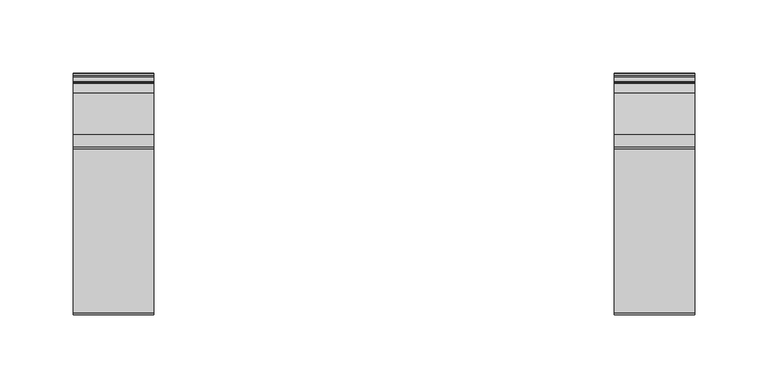
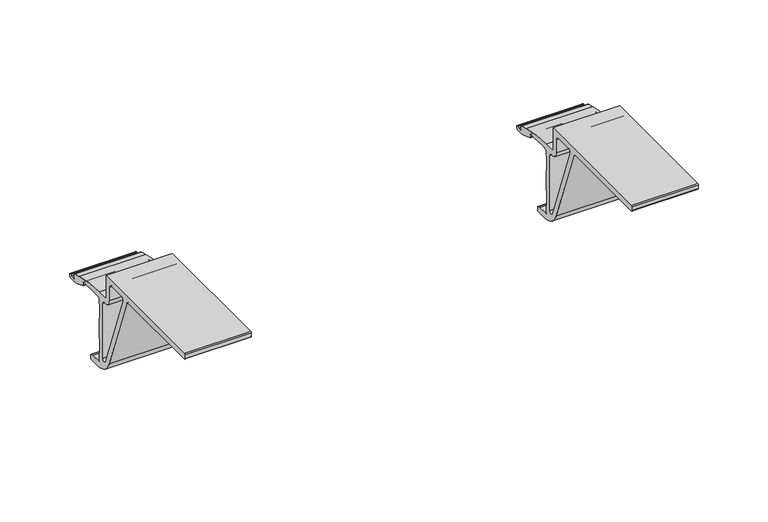
"""IFC4 building model written with IfcOpenShell, lengths in millimetres: furniture geometry."""

import ifcopenshell
import ifcopenshell.guid

model = None  # the IFC model being written
_history = None  # IfcOwnerHistory: only IFC2X3 demands one
_inside = {}  # id of a spatial element -> (the spatial element, [elements in it])
_under = {}  # id of a project, library or spatial element -> (it, [spatial elements below it])
_declared = {}  # id of a project -> (the project, [libraries it declares])
_typed = {}  # id of a type object -> (the type object, [elements of that type])
_made_of = {}  # id of a material, layer set ... -> (it, [elements and type objects made of it])


def new_model(schema):
    """Start an empty IFC model of exactly this schema.

    Asked for "IFC4X3", IfcOpenShell would pick the latest addendum, in which some entities
    have other attributes; the version numbers below select the first issue.
    IFC2X3 requires an IfcOwnerHistory on every rooted entity: one is made here for all.
    """
    global model, _history
    if schema == "IFC4X3":
        model = ifcopenshell.file(schema_version=(4, 3, 0, 0))
    else:
        model = ifcopenshell.file(schema=schema)
    _inside.clear()
    _under.clear()
    _declared.clear()
    _typed.clear()
    _made_of.clear()
    _history = None
    if model.schema == "IFC2X3":
        org = make("IfcOrganization", Name="unknown")
        user = make(
            "IfcPersonAndOrganization",
            ThePerson=make("IfcPerson", FamilyName="unknown"),
            TheOrganization=org,
        )
        app = make(
            "IfcApplication",
            ApplicationDeveloper=org,
            Version="unknown",
            ApplicationFullName="unknown",
            ApplicationIdentifier="unknown",
        )
        _history = make(
            "IfcOwnerHistory",
            OwningUser=user,
            OwningApplication=app,
            ChangeAction="ADDED",
            CreationDate=0,
        )
    return model


def make(cls, **values):
    """One entity of the class cls with the attributes given. An attribute that is None is left unset."""
    return model.create_entity(
        cls, **{name: value for name, value in values.items() if value is not None}
    )


def rooted(cls, **values):
    """An entity with a GlobalId (a new one), such as an element, a storey or a relation."""
    return make(cls, GlobalId=ifcopenshell.guid.new(), OwnerHistory=_history, **values)


def si_unit(unit_type, name, prefix=None):
    """IfcSIUnit, for example si_unit("LENGTHUNIT", "METRE", prefix="MILLI")."""
    return make("IfcSIUnit", UnitType=unit_type, Prefix=prefix, Name=name)


def assignment(units):
    """IfcUnitAssignment: the units of a project."""
    return None if units is None else make("IfcUnitAssignment", Units=units)


def point(xyz):
    """IfcCartesianPoint."""
    return None if xyz is None else make("IfcCartesianPoint", Coordinates=xyz)


def direction(xyz):
    """IfcDirection."""
    return None if xyz is None else make("IfcDirection", DirectionRatios=xyz)


def frame(location, z_axis=None, x_axis=None):
    """IfcAxis2Placement3D, a coordinate frame: its origin and axes. An axis left out is left unset."""
    return make(
        "IfcAxis2Placement3D",
        Location=point(location),
        Axis=direction(z_axis),
        RefDirection=direction(x_axis),
    )


def frame_2d(location, x_axis=None):
    """IfcAxis2Placement2D, a coordinate frame in the plane: its origin and x axis."""
    return make(
        "IfcAxis2Placement2D", Location=point(location), RefDirection=direction(x_axis)
    )


def origin():
    """The frame at (0, 0, 0) with its axes left unset."""
    return frame((0.0, 0.0, 0.0))


def place(relative_to, where):
    """IfcLocalPlacement: puts the frame where relative to a parent placement (None: the world)."""
    return make(
        "IfcLocalPlacement", PlacementRelTo=relative_to, RelativePlacement=where
    )


def context(
    kind, dimensions, precision=None, world=None, true_north=None, identifier=None
):
    """IfcGeometricRepresentationContext, for example the 3D "Model" context."""
    return make(
        "IfcGeometricRepresentationContext",
        ContextIdentifier=identifier,
        ContextType=kind,
        CoordinateSpaceDimension=dimensions,
        Precision=precision,
        WorldCoordinateSystem=world,
        TrueNorth=true_north,
    )


def project(units=None, contexts=None):
    """IfcProject with its units and contexts."""
    return rooted(
        "IfcProject",
        Name="project",
        RepresentationContexts=contexts,
        UnitsInContext=assignment(units),
    )


def spatial(cls, under=None, at=None, **own):
    """A site, building, storey or space (cls), placed at a placement, below another one or the project."""
    s = rooted(cls, ObjectPlacement=at, **own)
    if under is not None:
        _under.setdefault(under.id(), (under, []))[1].append(s)
    return s


def polyline(points):
    """IfcPolyline through the points."""
    return make("IfcPolyline", Points=[point(p) for p in points])


def circle_curve(where, radius):
    """IfcCircle in the frame where."""
    return make("IfcCircle", Position=where, Radius=radius)


def trimmed(basis, trim1, trim2, sense, master):
    """IfcTrimmedCurve: the piece of a basis curve between two trims."""
    return make(
        "IfcTrimmedCurve",
        BasisCurve=basis,
        Trim1=trim1,
        Trim2=trim2,
        SenseAgreement=sense,
        MasterRepresentation=master,
    )


def segment(curve, same_sense, transition):
    """IfcCompositeCurveSegment."""
    return make(
        "IfcCompositeCurveSegment",
        Transition=transition,
        SameSense=same_sense,
        ParentCurve=curve,
    )


def composite_curve(segments, self_intersect=None):
    """IfcCompositeCurve: segments joined end to end."""
    return make("IfcCompositeCurve", Segments=segments, SelfIntersect=self_intersect)


def outline(outer, holes=None, kind="AREA"):
    """IfcArbitraryClosedProfileDef: a profile drawn as a closed curve; with holes, ...WithVoids."""
    if holes is None:
        return make("IfcArbitraryClosedProfileDef", ProfileType=kind, OuterCurve=outer)
    return make(
        "IfcArbitraryProfileDefWithVoids",
        ProfileType=kind,
        OuterCurve=outer,
        InnerCurves=holes,
    )


def extrude(swept, where, along, depth):
    """IfcExtrudedAreaSolid: the profile swept, set in the frame where, extruded along a direction by depth."""
    return make(
        "IfcExtrudedAreaSolid",
        SweptArea=swept,
        Position=where,
        ExtrudedDirection=direction(along),
        Depth=depth,
    )


def shape(context_of_items, identifier, shape_type, items):
    """IfcShapeRepresentation: the items that make up one representation, for example the "Body"."""
    return make(
        "IfcShapeRepresentation",
        ContextOfItems=context_of_items,
        RepresentationIdentifier=identifier,
        RepresentationType=shape_type,
        Items=items,
    )


def source(mapping_origin, context_of_items, identifier, shape_type, items):
    """IfcRepresentationMap: a shape defined once, which mapped items show again and again."""
    return make(
        "IfcRepresentationMap",
        MappingOrigin=mapping_origin,
        MappedRepresentation=shape(context_of_items, identifier, shape_type, items),
    )


def transform(
    local_origin,
    x_axis=None,
    y_axis=None,
    z_axis=None,
    scale=None,
    scale2=None,
    scale3=None,
    uniform=True,
):
    """IfcCartesianTransformationOperator3D, or its non-uniform kind. x_axis, y_axis, z_axis: its Axis1, 2, 3."""
    if uniform:
        return make(
            "IfcCartesianTransformationOperator3D",
            Axis1=direction(x_axis),
            Axis2=direction(y_axis),
            LocalOrigin=point(local_origin),
            Scale=scale,
            Axis3=direction(z_axis),
        )
    return make(
        "IfcCartesianTransformationOperator3DnonUniform",
        Axis1=direction(x_axis),
        Axis2=direction(y_axis),
        LocalOrigin=point(local_origin),
        Scale=scale,
        Axis3=direction(z_axis),
        Scale2=scale2,
        Scale3=scale3,
    )


def mapped(mapping_source, mapping_target):
    """IfcMappedItem: shows the shape of a source again, moved by a transform."""
    return make(
        "IfcMappedItem", MappingSource=mapping_source, MappingTarget=mapping_target
    )


def made_of(thing, what):
    """Note that an element or type object is made of a material, layer set ...; save() writes the relation."""
    if what is not None:
        _made_of.setdefault(what.id(), (what, []))[1].append(thing)
    return thing


def element(
    cls,
    number,
    at=None,
    inside=None,
    cuts=None,
    type_object=None,
    material=None,
    context=None,
    identifier="Body",
    shape_type=None,
    held_by="IfcProductDefinitionShape",
    body=None,
    shapes=None,
    **own,
):
    """One element of the class cls, such as IfcWall. Its Tag is "e" and its number.

    at: its placement. inside: the storey or other place that contains it. cuts: it is an
    opening in that element (IfcRelVoidsElement). A single representation is given by context,
    identifier, shape_type and body (its items); several are given by shapes. held_by: the class
    of the entity that holds the representations. save() writes the other relations.
    """
    e = rooted(cls, Tag="e%d" % number, ObjectPlacement=at, **own)
    if body is not None:
        shapes = [shape(context, identifier, shape_type, body)]
    if shapes is not None:
        e.Representation = make(held_by, Representations=shapes)
    if inside is not None:
        _inside.setdefault(inside.id(), (inside, []))[1].append(e)
    if cuts is not None:
        rooted(
            "IfcRelVoidsElement", RelatingBuildingElement=cuts, RelatedOpeningElement=e
        )
    if type_object is not None:
        _typed.setdefault(type_object.id(), (type_object, []))[1].append(e)
    return made_of(e, material)


def aggregate(whole, parts):
    """IfcRelAggregates: a whole, such as a stair, and the parts it consists of."""
    return rooted("IfcRelAggregates", RelatingObject=whole, RelatedObjects=parts)


def save(model, path):
    """Write the relations noted so far, then the file.

    IfcRelAggregates (storeys below a building ...), IfcRelContainedInSpatialStructure (elements
    in a storey), IfcRelDefinesByType, IfcRelAssociatesMaterial and IfcRelDeclares: one each for
    every whole, place, type object, material and project.
    """
    for whole, parts in _under.values():
        aggregate(whole, parts)
    for where, things in _inside.values():
        rooted(
            "IfcRelContainedInSpatialStructure",
            RelatedElements=things,
            RelatingStructure=where,
        )
    for kind, things in _typed.values():
        rooted("IfcRelDefinesByType", RelatedObjects=things, RelatingType=kind)
    for what, things in _made_of.values():
        rooted("IfcRelAssociatesMaterial", RelatedObjects=things, RelatingMaterial=what)
    for by, libraries in _declared.values():
        rooted("IfcRelDeclares", RelatingContext=by, RelatedDefinitions=libraries)
    model.write(path)


def furniture_84e67b3a(model_context):
    return source(origin(), model_context, "Body", "SweptSolid", [
        extrude(outline(composite_curve([segment(polyline([(-86.7775157, 702.3442663), (-86.7775157, 683.5143182)]), True, "CONTINUOUS"), segment(trimmed(circle_curve(frame_2d((-85.292097, 683.5143182)), 1.4854187), [point((-86.7775157, 683.5143182))], [point((-85.3378537, 682.0296045))], True, "CARTESIAN"), True, "CONTINUOUS"), segment(trimmed(circle_curve(frame_2d((-81.0093269, 822.4818894)), 140.5189684), [point((-85.3378537, 682.0296045))], [point((-76.856973, 682.0242857))], True, "CARTESIAN"), True, "CONTINUOUS"), segment(trimmed(circle_curve(frame_2d((-74.0633567, 587.5273694)), 94.5382012), [point((-76.856973, 682.0242857))], [point((-48.4877744, 678.5403414))], False, "CARTESIAN"), True, "CONTINUOUS"), segment(polyline([(-48.4877744, 678.5403414), (-41.8383194, 676.6717761)]), True, "CONTINUOUS"), segment(trimmed(circle_curve(frame_2d((-42.1056358, 675.7205072)), 0.9881146), [point((-41.8383194, 676.6717761))], [point((-41.1175211, 675.7205072))], False, "CARTESIAN"), True, "CONTINUOUS"), segment(polyline([(-41.1175211, 675.7205072), (-41.1175211, 672.1917413)]), True, "CONTINUOUS"), segment(trimmed(circle_curve(frame_2d((-40.6201001, 672.1917413)), 0.497421), [point((-41.1175211, 672.1917413))], [point((-40.6201001, 671.6943203))], True, "CARTESIAN"), True, "CONTINUOUS"), segment(polyline([(-40.6201001, 671.6943203), (-37.1118129, 671.6943203)]), True, "CONTINUOUS"), segment(trimmed(circle_curve(frame_2d((-36.3675204, 671.8348586)), 0.7574446), [point((-37.1118129, 671.6943203))], [point((-36.3675204, 672.5923033))], False, "CARTESIAN"), True, "CONTINUOUS"), segment(polyline([(-36.3675204, 672.5923033), (-35.1175194, 672.5923033)]), True, "CONTINUOUS"), segment(trimmed(circle_curve(frame_2d((-35.1175194, 672.0499171)), 0.5423862), [point((-35.1175194, 672.5923033))], [point((-34.5751333, 672.0499171))], False, "CARTESIAN"), True, "CONTINUOUS"), segment(trimmed(circle_curve(frame_2d((-38.2117089, 672.0499171)), 3.6365756), [point((-34.5751333, 672.0499171))], [point((-34.7158809, 671.0479847))], False, "CARTESIAN"), True, "CONTINUOUS"), segment(trimmed(circle_curve(frame_2d((-36.7774056, 671.6388342)), 2.144525), [point((-34.7158809, 671.0479847))], [point((-36.7774056, 669.4943092))], False, "CARTESIAN"), True, "CONTINUOUS"), segment(polyline([(-36.7774056, 669.4943092), (-41.2515606, 669.4943092)]), True, "CONTINUOUS"), segment(trimmed(circle_curve(frame_2d((-41.2515606, 679.381534)), 9.8872248), [point((-41.2515606, 669.4943092))], [point((-44.6331396, 670.0905633))], False, "CARTESIAN"), True, "CONTINUOUS"), segment(polyline([(-44.6331396, 670.0905633), (-53.4074199, 673.2840856)]), True, "CONTINUOUS"), segment(trimmed(circle_curve(frame_2d((-53.1786588, 673.9126124)), 0.6688629), [point((-53.4074199, 673.2840856))], [point((-53.8475217, 673.9126124))], False, "CARTESIAN"), True, "CONTINUOUS"), segment(polyline([(-53.8475217, 673.9126124), (-53.8475217, 676.3966077)]), True, "CONTINUOUS"), segment(trimmed(circle_curve(frame_2d((-54.3956091, 676.3966077)), 0.5480874), [point((-53.8475217, 676.3966077))], [point((-54.3896324, 676.9446625))], True, "CARTESIAN"), True, "CONTINUOUS"), segment(polyline([(-54.3896324, 676.9446625), (-61.2324225, 677.019286), (-62.0367766, 677.3442661), (-73.2033319, 677.3442661), (-73.924907, 676.9442905), (-77.2525157, 676.9442905), (-77.2525157, 672.3533048), (-77.6525185, 671.568255), (-77.6525185, 659.8268591), (-77.2525157, 659.0745632), (-77.2525157, 641.8510099), (-77.6525185, 641.1293857), (-77.6525185, 629.2541441), (-77.2525157, 628.5325199), (-77.2525157, 622.098558)]), True, "CONTINUOUS"), segment(trimmed(circle_curve(frame_2d((-76.2182289, 622.098558)), 1.0342868), [point((-77.2525157, 622.098558))], [point((-76.2182289, 621.0642712))], True, "CARTESIAN"), True, "CONTINUOUS"), segment(polyline([(-76.2182289, 621.0642712), (-67.800534, 621.0642712), (-65.229694, 620.1285843)]), True, "CONTINUOUS"), segment(trimmed(circle_curve(frame_2d((-65.4777226, 619.447115)), 0.7252025), [point((-65.229694, 620.1285843))], [point((-64.7525201, 619.447115))], False, "CARTESIAN"), True, "CONTINUOUS"), segment(polyline([(-64.7525201, 619.447115), (-64.7525201, 616.6575152)]), True, "CONTINUOUS"), segment(trimmed(circle_curve(frame_2d((-65.3457497, 616.6575152)), 0.5932296), [point((-64.7525201, 616.6575152))], [point((-65.3457497, 616.0642857))], False, "CARTESIAN"), True, "CONTINUOUS"), segment(polyline([(-65.3457497, 616.0642857), (-74.8192867, 616.0642857)]), True, "CONTINUOUS"), segment(trimmed(circle_curve(frame_2d((-74.8192867, 633.8207609)), 17.7564752), [point((-74.8192867, 616.0642857))], [point((-91.5049141, 627.7476849))], False, "CARTESIAN"), True, "CONTINUOUS"), segment(polyline([(-91.5049141, 627.7476849), (-116.1240038, 695.3880307)]), True, "CONTINUOUS"), segment(trimmed(circle_curve(frame_2d((-118.9178192, 694.3711643)), 2.9731165), [point((-116.1240038, 695.3880307))], [point((-118.9178192, 697.3442808))], True, "CARTESIAN"), True, "CONTINUOUS"), segment(polyline([(-118.9178192, 697.3442808), (-199.0743454, 697.3442808)]), True, "CONTINUOUS"), segment(trimmed(circle_curve(frame_2d((-199.0743454, 698.0774523)), 0.7331715), [point((-199.0743454, 697.3442808))], [point((-199.8075169, 698.0774523))], False, "CARTESIAN"), True, "CONTINUOUS"), segment(polyline([(-199.8075169, 698.0774523), (-199.8075169, 701.5085288)]), True, "CONTINUOUS"), segment(trimmed(circle_curve(frame_2d((-198.9717794, 701.5085288)), 0.8357375), [point((-199.8075169, 701.5085288))], [point((-198.9717794, 702.3442663))], False, "CARTESIAN"), True, "CONTINUOUS"), segment(polyline([(-198.9717794, 702.3442663), (-86.7775157, 702.3442663)]), True, "CONTINUOUS")], self_intersect=False), holes=[composite_curve([segment(polyline([(-91.7775194, 683.5242668), (-91.7775194, 694.962507)]), True, "CONTINUOUS"), segment(trimmed(circle_curve(frame_2d((-94.0792835, 694.962507)), 2.3017641), [point((-91.7775194, 694.962507))], [point((-94.0792835, 697.2642712))], True, "CARTESIAN"), True, "CONTINUOUS"), segment(polyline([(-94.0792835, 697.2642712), (-108.4695152, 697.2642712)]), True, "CONTINUOUS"), segment(trimmed(circle_curve(frame_2d((-108.4695152, 695.1521055)), 2.1121657), [point((-108.4695152, 697.2642712))], [point((-110.4543016, 694.4297021))], True, "CARTESIAN"), True, "CONTINUOUS"), segment(polyline([(-110.4543016, 694.4297021), (-85.6626687, 626.3152707)]), True, "CONTINUOUS"), segment(trimmed(circle_curve(frame_2d((-84.0106069, 626.9165723)), 1.7580875), [point((-85.6626687, 626.3152707))], [point((-82.2525194, 626.9165723))], True, "CARTESIAN"), True, "CONTINUOUS"), segment(polyline([(-82.2525194, 626.9165723), (-82.2525194, 674.9752186)]), True, "CONTINUOUS"), segment(trimmed(circle_curve(frame_2d((-84.2710984, 674.9752186)), 2.018579), [point((-82.2525194, 674.9752186))], [point((-84.4884607, 676.9820606))], True, "CARTESIAN"), True, "CONTINUOUS"), segment(trimmed(circle_curve(frame_2d((-85.1970511, 683.5242668)), 6.5804683), [point((-84.4884607, 676.9820606))], [point((-91.7775194, 683.5242668))], False, "CARTESIAN"), True, "CONTINUOUS")], self_intersect=False)]), frame((448.2223959, 0.0, 0.0), z_axis=(1.0, 0.0, 0.0), x_axis=(0.0, 1.0, 0.0)), (0.0, 0.0, 1.0), 55.0000041),
        extrude(outline(composite_curve([segment(polyline([(-86.7775157, 702.3442663), (-86.7775157, 683.5143182)]), True, "CONTINUOUS"), segment(trimmed(circle_curve(frame_2d((-85.292097, 683.5143182)), 1.4854187), [point((-86.7775157, 683.5143182))], [point((-85.3378537, 682.0296045))], True, "CARTESIAN"), True, "CONTINUOUS"), segment(trimmed(circle_curve(frame_2d((-81.0093269, 822.4818894)), 140.5189684), [point((-85.3378537, 682.0296045))], [point((-76.856973, 682.0242857))], True, "CARTESIAN"), True, "CONTINUOUS"), segment(trimmed(circle_curve(frame_2d((-74.0633567, 587.5273694)), 94.5382012), [point((-76.856973, 682.0242857))], [point((-48.4877744, 678.5403414))], False, "CARTESIAN"), True, "CONTINUOUS"), segment(polyline([(-48.4877744, 678.5403414), (-41.8383194, 676.6717761)]), True, "CONTINUOUS"), segment(trimmed(circle_curve(frame_2d((-42.1056358, 675.7205072)), 0.9881146), [point((-41.8383194, 676.6717761))], [point((-41.1175211, 675.7205072))], False, "CARTESIAN"), True, "CONTINUOUS"), segment(polyline([(-41.1175211, 675.7205072), (-41.1175211, 672.1917413)]), True, "CONTINUOUS"), segment(trimmed(circle_curve(frame_2d((-40.6201001, 672.1917413)), 0.497421), [point((-41.1175211, 672.1917413))], [point((-40.6201001, 671.6943203))], True, "CARTESIAN"), True, "CONTINUOUS"), segment(polyline([(-40.6201001, 671.6943203), (-37.1118129, 671.6943203)]), True, "CONTINUOUS"), segment(trimmed(circle_curve(frame_2d((-36.3675204, 671.8348586)), 0.7574446), [point((-37.1118129, 671.6943203))], [point((-36.3675204, 672.5923033))], False, "CARTESIAN"), True, "CONTINUOUS"), segment(polyline([(-36.3675204, 672.5923033), (-35.1175194, 672.5923033)]), True, "CONTINUOUS"), segment(trimmed(circle_curve(frame_2d((-35.1175194, 672.0499171)), 0.5423862), [point((-35.1175194, 672.5923033))], [point((-34.5751333, 672.0499171))], False, "CARTESIAN"), True, "CONTINUOUS"), segment(trimmed(circle_curve(frame_2d((-38.2117089, 672.0499171)), 3.6365756), [point((-34.5751333, 672.0499171))], [point((-34.7158809, 671.0479847))], False, "CARTESIAN"), True, "CONTINUOUS"), segment(trimmed(circle_curve(frame_2d((-36.7774056, 671.6388342)), 2.144525), [point((-34.7158809, 671.0479847))], [point((-36.7774056, 669.4943092))], False, "CARTESIAN"), True, "CONTINUOUS"), segment(polyline([(-36.7774056, 669.4943092), (-41.2515606, 669.4943092)]), True, "CONTINUOUS"), segment(trimmed(circle_curve(frame_2d((-41.2515606, 679.381534)), 9.8872248), [point((-41.2515606, 669.4943092))], [point((-44.6331396, 670.0905633))], False, "CARTESIAN"), True, "CONTINUOUS"), segment(polyline([(-44.6331396, 670.0905633), (-53.4074199, 673.2840856)]), True, "CONTINUOUS"), segment(trimmed(circle_curve(frame_2d((-53.1786588, 673.9126124)), 0.6688629), [point((-53.4074199, 673.2840856))], [point((-53.8475217, 673.9126124))], False, "CARTESIAN"), True, "CONTINUOUS"), segment(polyline([(-53.8475217, 673.9126124), (-53.8475217, 676.3966077)]), True, "CONTINUOUS"), segment(trimmed(circle_curve(frame_2d((-54.3956091, 676.3966077)), 0.5480874), [point((-53.8475217, 676.3966077))], [point((-54.3896324, 676.9446625))], True, "CARTESIAN"), True, "CONTINUOUS"), segment(polyline([(-54.3896324, 676.9446625), (-61.2324225, 677.019286), (-62.0367766, 677.3442661), (-73.2033319, 677.3442661), (-73.924907, 676.9442905), (-77.2525157, 676.9442905), (-77.2525157, 672.3533048), (-77.6525185, 671.568255), (-77.6525185, 659.8268591), (-77.2525157, 659.0745632), (-77.2525157, 641.8510099), (-77.6525185, 641.1293857), (-77.6525185, 629.2541441), (-77.2525157, 628.5325199), (-77.2525157, 622.098558)]), True, "CONTINUOUS"), segment(trimmed(circle_curve(frame_2d((-76.2182289, 622.098558)), 1.0342868), [point((-77.2525157, 622.098558))], [point((-76.2182289, 621.0642712))], True, "CARTESIAN"), True, "CONTINUOUS"), segment(polyline([(-76.2182289, 621.0642712), (-67.800534, 621.0642712), (-65.229694, 620.1285843)]), True, "CONTINUOUS"), segment(trimmed(circle_curve(frame_2d((-65.4777226, 619.447115)), 0.7252025), [point((-65.229694, 620.1285843))], [point((-64.7525201, 619.447115))], False, "CARTESIAN"), True, "CONTINUOUS"), segment(polyline([(-64.7525201, 619.447115), (-64.7525201, 616.6575152)]), True, "CONTINUOUS"), segment(trimmed(circle_curve(frame_2d((-65.3457497, 616.6575152)), 0.5932296), [point((-64.7525201, 616.6575152))], [point((-65.3457497, 616.0642857))], False, "CARTESIAN"), True, "CONTINUOUS"), segment(polyline([(-65.3457497, 616.0642857), (-74.8192867, 616.0642857)]), True, "CONTINUOUS"), segment(trimmed(circle_curve(frame_2d((-74.8192867, 633.8207609)), 17.7564752), [point((-74.8192867, 616.0642857))], [point((-91.5049141, 627.7476849))], False, "CARTESIAN"), True, "CONTINUOUS"), segment(polyline([(-91.5049141, 627.7476849), (-116.1240038, 695.3880307)]), True, "CONTINUOUS"), segment(trimmed(circle_curve(frame_2d((-118.9178192, 694.3711643)), 2.9731165), [point((-116.1240038, 695.3880307))], [point((-118.9178192, 697.3442808))], True, "CARTESIAN"), True, "CONTINUOUS"), segment(polyline([(-118.9178192, 697.3442808), (-199.0743454, 697.3442808)]), True, "CONTINUOUS"), segment(trimmed(circle_curve(frame_2d((-199.0743454, 698.0774523)), 0.7331715), [point((-199.0743454, 697.3442808))], [point((-199.8075169, 698.0774523))], False, "CARTESIAN"), True, "CONTINUOUS"), segment(polyline([(-199.8075169, 698.0774523), (-199.8075169, 701.5085288)]), True, "CONTINUOUS"), segment(trimmed(circle_curve(frame_2d((-198.9717794, 701.5085288)), 0.8357375), [point((-199.8075169, 701.5085288))], [point((-198.9717794, 702.3442663))], False, "CARTESIAN"), True, "CONTINUOUS"), segment(polyline([(-198.9717794, 702.3442663), (-86.7775157, 702.3442663)]), True, "CONTINUOUS")], self_intersect=False), holes=[composite_curve([segment(polyline([(-91.7775194, 683.5242668), (-91.7775194, 694.962507)]), True, "CONTINUOUS"), segment(trimmed(circle_curve(frame_2d((-94.0792835, 694.962507)), 2.3017641), [point((-91.7775194, 694.962507))], [point((-94.0792835, 697.2642712))], True, "CARTESIAN"), True, "CONTINUOUS"), segment(polyline([(-94.0792835, 697.2642712), (-108.4695152, 697.2642712)]), True, "CONTINUOUS"), segment(trimmed(circle_curve(frame_2d((-108.4695152, 695.1521055)), 2.1121657), [point((-108.4695152, 697.2642712))], [point((-110.4543016, 694.4297021))], True, "CARTESIAN"), True, "CONTINUOUS"), segment(polyline([(-110.4543016, 694.4297021), (-85.6626687, 626.3152707)]), True, "CONTINUOUS"), segment(trimmed(circle_curve(frame_2d((-84.0106069, 626.9165723)), 1.7580875), [point((-85.6626687, 626.3152707))], [point((-82.2525194, 626.9165723))], True, "CARTESIAN"), True, "CONTINUOUS"), segment(polyline([(-82.2525194, 626.9165723), (-82.2525194, 674.9752186)]), True, "CONTINUOUS"), segment(trimmed(circle_curve(frame_2d((-84.2710984, 674.9752186)), 2.018579), [point((-82.2525194, 674.9752186))], [point((-84.4884607, 676.9820606))], True, "CARTESIAN"), True, "CONTINUOUS"), segment(trimmed(circle_curve(frame_2d((-85.1970511, 683.5242668)), 6.5804683), [point((-84.4884607, 676.9820606))], [point((-91.7775194, 683.5242668))], False, "CARTESIAN"), True, "CONTINUOUS")], self_intersect=False)]), frame((77.9296001, 0.0, 0.0), z_axis=(1.0, 0.0, 0.0), x_axis=(0.0, 1.0, 0.0)), (0.0, 0.0, 1.0), 55.0000041),
    ])


if __name__ == "__main__":
    model = new_model("IFC4")
    model_context = context("Model", 3, world=origin())
    ifc_project = project(units=[si_unit("LENGTHUNIT", "METRE", prefix="MILLI")], contexts=[model_context])
    site = spatial("IfcSite", under=ifc_project)
    building = spatial("IfcBuilding", under=site)
    placement = place(None, origin())
    furniture_shape = furniture_84e67b3a(model_context)
    element("IfcFurniture", 1, at=placement, inside=building, context=model_context, shape_type="MappedRepresentation", body=[
        mapped(furniture_shape, transform((0.0, 0.0, 0.0), x_axis=(1.0, 0.0, 0.0), y_axis=(0.0, 1.0, 0.0), z_axis=(0.0, 0.0, 1.0))),
    ])
    save(model, "model.ifc")
